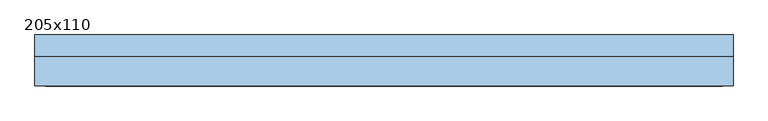
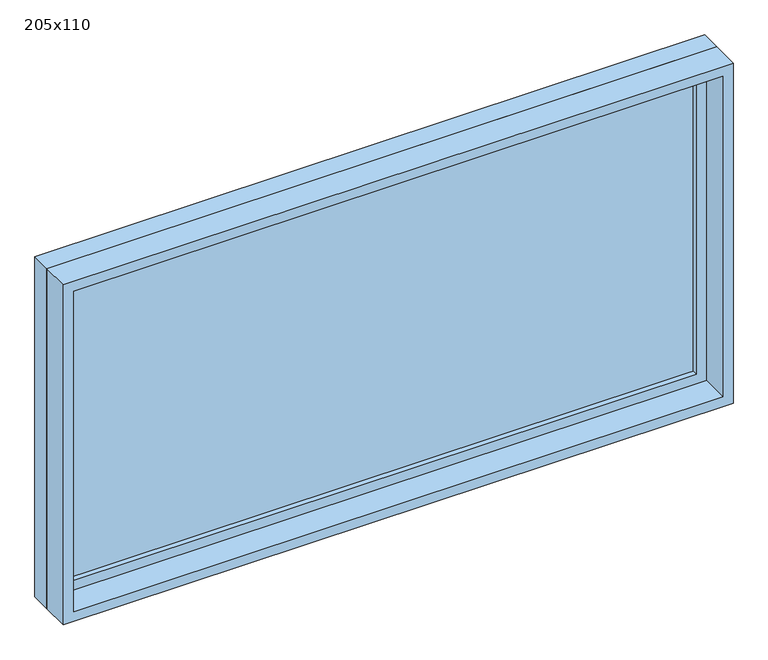
"""IFC4 building model written with IfcOpenShell, lengths in millimetres: window geometry, 205x110."""

from ifc_helpers import new_model, si_unit, frame, origin, place, context, project, spatial, polyline, outline, extrude, source, transform, mapped, element, save


def window_205x110_a1363561(model_context):
    return source(origin(), model_context, "Body", "SweptSolid", [
        extrude(outline(polyline([(923.4, 27.375), (-999.6, 27.375), (-999.6, 40.075), (923.4, 40.075), (923.4, 27.375)])), frame((0.0, 0.0, 977.9), z_axis=(0.0, 0.0, 1.0), x_axis=(1.0, 0.0, 0.0)), (0.0, 0.0, 1.0), 973.0),
        extrude(outline(polyline([(1995.35, -1044.05), (933.45, -1044.05), (933.45, 967.85), (1995.35, 967.85), (1995.35, -1044.05)]), holes=[polyline([(1950.9, -999.6), (1950.9, 923.4), (977.9, 923.4), (977.9, -999.6), (1950.9, -999.6)])]), frame((0.0, 11.5, 0.0), z_axis=(0.0, 1.0, 0.0), x_axis=(0.0, 0.0, 1.0)), (0.0, 0.0, 1.0), 44.45),
        extrude(outline(polyline([(2014.4, -1063.1), (914.4, -1063.1), (914.4, 986.9), (2014.4, 986.9), (2014.4, -1063.1)]), holes=[polyline([(1982.65, -1031.35), (1982.65, 955.15), (946.15, 955.15), (946.15, -1031.35), (1982.65, -1031.35)])]), frame((0.0, -75.0, 0.0), z_axis=(0.0, 1.0, 0.0), x_axis=(0.0, 0.0, 1.0)), (0.0, 0.0, 1.0), 86.5),
        extrude(outline(polyline([(2014.4, 986.9), (2014.4, -1063.1), (914.4, -1063.1), (914.4, 986.9), (2014.4, 986.9)]), holes=[polyline([(1995.35, 967.85), (933.45, 967.85), (933.45, -1044.05), (1995.35, -1044.05), (1995.35, 967.85)])]), frame((0.0, 11.5, 0.0), z_axis=(0.0, 1.0, 0.0), x_axis=(0.0, 0.0, 1.0)), (0.0, 0.0, 1.0), 63.5),
    ])


if __name__ == "__main__":
    model = new_model("IFC4")
    model_context = context("Model", 3, world=origin())
    ifc_project = project(units=[si_unit("LENGTHUNIT", "METRE", prefix="MILLI")], contexts=[model_context])
    site = spatial("IfcSite", under=ifc_project)
    building = spatial("IfcBuilding", under=site)
    placement = place(None, origin())
    window_205x110_shape = window_205x110_a1363561(model_context)
    element("IfcWindow", 1, ObjectType="205x110", at=placement, inside=building, context=model_context, shape_type="MappedRepresentation", body=[
        mapped(window_205x110_shape, transform((0.0, 0.0, 0.0), x_axis=(1.0, 0.0, 0.0), y_axis=(0.0, 1.0, 0.0), z_axis=(0.0, 0.0, 1.0))),
    ])
    save(model, "model.ifc")
